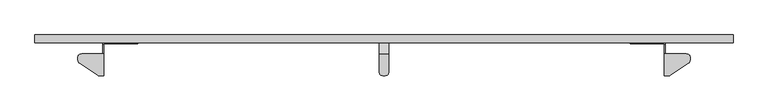
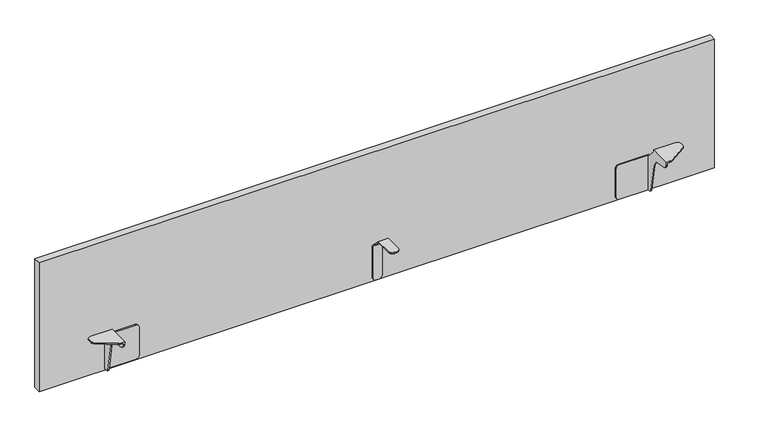
"""IFC4 building model written with IfcOpenShell, lengths in millimetres: furniture geometry."""

from ifc_helpers import new_model, si_unit, frame, origin, place, context, project, spatial, polyline, outline, extrude, faceted_brep, source, transform, mapped, element, save


def furniture_78137ce3(model_context):
    return source(origin(), model_context, "Body", "SolidModel", [
        faceted_brep([(927.8620008, -5.3451252, 707.3392029), (927.8620008, 22.3509401, 681.1507432), (927.8620008, 22.3509401, 593.7250799), (927.8620008, 25.4, 593.7250799), (927.8620008, 25.4, 681.1497404), (927.8620008, -4.2672, 710.3872), (927.8620008, -50.0379103, 710.3872), (927.8620008, -50.0379103, 707.3392029), (902.4620008, -4.2672, 710.3872), (902.4620008, 25.4, 681.1497404), (902.4620008, 25.4, 593.7249895), (902.4620008, 22.3509401, 593.7249895), (902.4620008, 22.3509401, 681.1507432), (902.4620008, -5.3451252, 707.3392029), (902.4620008, -50.0380007, 707.3392029), (902.4620008, -50.0380007, 710.3872), (926.5858917, -54.8005007, 707.3392029), (923.0994766, -58.2868931, 707.3392029), (918.3369766, -59.5630007, 707.3392029), (911.9870008, -59.5630007, 707.3392029), (907.2245008, -58.2868931, 707.3392029), (903.7380857, -54.8005007, 707.3392029), (903.7380857, 22.3509401, 588.9624895), (907.2245008, 22.3509401, 585.4761108), (911.9870008, 22.3509401, 584.1999895), (918.3369766, 22.3509401, 584.1999895), (923.0994766, 22.3509401, 585.4761108), (926.5858917, 22.3509401, 588.9624895), (911.9870008, 25.4, 584.1999895), (918.3369766, 25.4, 584.1999895), (926.5858917, 25.4, 588.9624895), (923.0994766, 25.4, 585.4761108), (907.2245008, 25.4, 585.4761108), (903.7380857, 25.4, 588.9624895), (903.7380857, -54.8005007, 710.3872), (907.2245008, -58.2868931, 710.3872), (911.9870008, -59.5630007, 710.3872), (918.3369766, -59.5630007, 710.3872), (923.0994766, -58.2868931, 710.3872), (926.5858917, -54.8005007, 710.3872)], [[[0, 1, 2, 3, 4, 5, 6, 7]], [[8, 9, 10, 11, 12, 13, 14, 15]], [[13, 0, 7, 16, 17, 18, 19, 20, 21, 14]], [[1, 12, 11, 22, 23, 24, 25, 26, 27, 2]], [[25, 24, 28, 29]], [[9, 4, 3, 30, 31, 29, 28, 32, 33, 10]], [[5, 8, 15, 34, 35, 36, 37, 38, 39, 6]], [[19, 18, 37, 36]], [[21, 34, 15, 14]], [[35, 20, 19, 36]], [[34, 21, 20, 35]], [[17, 38, 37, 18]], [[39, 16, 7, 6]], [[38, 17, 16, 39]], [[23, 32, 28, 24]], [[32, 23, 22, 33]], [[33, 22, 11, 10]], [[27, 30, 3, 2]], [[30, 27, 26, 31]], [[31, 26, 25, 29]], [[5, 4, 9, 8]], [[1, 0, 13, 12]]]),
        faceted_brep([(1630.1211979, 25.4, 585.1652286), (1630.1211979, 17.2652222, 585.1652286), (1627.0732008, 17.2652222, 585.1652286), (1627.0732008, 22.3509401, 585.1652286), (1550.7461919, 22.3509401, 585.1652286), (1550.7461919, 25.4, 585.1652286), (1688.6046921, -4.0711685, 710.3872), (1683.8421921, -2.7950606, 710.3872), (1627.0732008, -2.7950606, 710.3872), (1627.0732008, -59.4370591, 710.3872), (1638.1764839, -59.4370591, 710.3872), (1640.0211387, -59.2567331, 710.3872), (1641.7959395, -58.7225769, 710.3872), (1643.4336848, -57.8548247, 710.3872), (1689.099393, -27.6293554, 710.3872), (1691.3819845, -25.5070035, 710.3872), (1692.8572396, -22.7614203, 710.3872), (1693.3671921, -19.6865943, 710.3872), (1693.3671921, -12.3200609, 710.3872), (1692.09108, -7.5575603, 710.3872), (1692.09108, -7.5575603, 707.3392029), (1688.6046921, -4.0711685, 707.3392029), (1693.3671921, -12.3200609, 707.3392029), (1693.3671921, -19.6865943, 707.3392029), (1692.8572396, -22.7614203, 707.3392029), (1691.3819845, -25.5070035, 707.3392029), (1689.099393, -27.6293554, 707.3392029), (1643.4336848, -57.8548247, 707.3392029), (1641.7959395, -58.7225769, 707.3392029), (1640.0211387, -59.2567331, 707.3392029), (1638.1764839, -59.4370591, 707.3392029), (1627.0732008, -59.4370591, 702.7557617), (1630.1211979, -59.4370591, 702.7557617), (1630.1211979, -59.4370591, 707.3392029), (1627.0732008, 14.4153473, 585.8406597), (1627.0732008, 12.1717399, 587.7232847), (1627.0732008, 11.0116931, 590.4125464), (1627.0732008, -2.1447647, 665.026524), (1627.0732008, -5.9374915, 674.5733977), (1627.0732008, -13.2013536, 681.8372711), (1627.0732008, -22.7482171, 685.6299902), (1627.0732008, -48.9423917, 690.248749), (1627.0732008, -54.3209742, 692.5688109), (1627.0732008, -58.0861968, 697.056037), (1627.0732008, -2.7950606, 705.3072048), (1627.0732008, 20.3189398, 680.4151922), (1627.0732008, 22.3509401, 680.4151922), (1550.7461919, 22.3509401, 680.4151922), (1545.9836919, 22.3509401, 679.1391073), (1542.497295, 22.3509401, 675.6526922), (1541.2211919, 22.3509401, 670.8901922), (1541.2211919, 22.3509401, 594.6902286), (1542.497295, 22.3509401, 589.9277286), (1545.9836919, 22.3509401, 586.4413498), (1541.2211919, 25.4, 670.8901922), (1541.2211919, 25.4, 594.6902286), (1545.9836919, 25.4, 586.4413498), (1542.497295, 25.4, 589.9277286), (1542.497295, 25.4, 675.6526922), (1545.9836919, 25.4, 679.1391073), (1550.7461919, 25.4, 680.4151922), (1630.1211979, 25.4, 680.4151922), (1630.1211979, -58.0861968, 697.056037), (1630.1211979, -54.3209742, 692.5688109), (1630.1211979, -48.9423917, 690.248749), (1630.1211979, -22.7482171, 685.6299902), (1630.1211979, -13.2013536, 681.8372711), (1630.1211979, -5.9374915, 674.5733977), (1630.1211979, -2.1447647, 665.026524), (1630.1211979, 11.0116931, 590.4125464), (1630.1211979, 12.1717399, 587.7232847), (1630.1211979, 14.4153473, 585.8406597), (1630.1211979, 20.3189398, 680.4151922), (1630.1211979, -2.7950606, 705.3072048), (1630.1211979, -2.7950606, 707.3392029), (1683.8421921, -2.7950606, 707.3392029)], [[[0, 1, 2, 3, 4, 5]], [[6, 7, 8, 9, 10, 11, 12, 13, 14, 15, 16, 17, 18, 19]], [[19, 20, 21, 6]], [[18, 22, 20, 19]], [[17, 23, 22, 18]], [[16, 24, 23, 17]], [[15, 25, 24, 16]], [[14, 26, 25, 15]], [[13, 27, 26, 14]], [[12, 28, 27, 13]], [[11, 29, 28, 12]], [[10, 30, 29, 11]], [[9, 31, 32, 33, 30, 10]], [[3, 2, 34, 35, 36, 37, 38, 39, 40, 41, 42, 43, 31, 9, 8, 44, 45, 46]], [[3, 46, 47, 48, 49, 50, 51, 52, 53, 4]], [[50, 54, 55, 51]], [[5, 56, 57, 55, 54, 58, 59, 60, 61, 0]], [[33, 32, 62, 63, 64, 65, 66, 67, 68, 69, 70, 71, 1, 0, 61, 72, 73, 74]], [[8, 7, 75, 74, 73, 44]], [[6, 21, 75, 7]], [[74, 75, 21, 20, 22, 23, 24, 25, 26, 27, 28, 29, 30, 33]], [[47, 46, 45, 72, 61, 60]], [[60, 59, 48, 47]], [[59, 58, 49, 48]], [[58, 54, 50, 49]], [[56, 5, 4, 53]], [[52, 51, 55, 57]], [[53, 52, 57, 56]], [[34, 2, 1, 71]], [[71, 70, 35, 34]], [[70, 69, 36, 35]], [[69, 68, 37, 36]], [[68, 67, 38, 37]], [[67, 66, 39, 38]], [[66, 65, 40, 39]], [[65, 64, 41, 40]], [[64, 63, 42, 41]], [[63, 62, 43, 42]], [[62, 32, 31, 43]], [[45, 44, 73, 72]]]),
        faceted_brep([(200.2028038, 25.4, 585.1652286), (279.5778098, 25.4, 585.1652286), (279.5778098, 22.3509401, 585.1652286), (203.2508008, 22.3509401, 585.1652286), (203.2508008, 17.2652222, 585.1652286), (200.2028038, 17.2652222, 585.1652286), (141.7193096, -4.0711685, 710.3872), (138.2329217, -7.5575603, 710.3872), (136.9568096, -12.3200609, 710.3872), (136.9568096, -19.6865943, 710.3872), (137.4667621, -22.7614203, 710.3872), (138.9420172, -25.5070035, 710.3872), (141.2246087, -27.6293554, 710.3872), (186.8903169, -57.8548247, 710.3872), (188.5280622, -58.7225769, 710.3872), (190.302863, -59.2567331, 710.3872), (192.1475178, -59.4370591, 710.3872), (203.2508008, -59.4370591, 710.3872), (203.2508008, -2.7950606, 710.3872), (146.4818096, -2.7950606, 710.3872), (141.7193096, -4.0711685, 707.3392029), (138.2329217, -7.5575603, 707.3392029), (136.9568096, -12.3200609, 707.3392029), (136.9568096, -19.6865943, 707.3392029), (137.4667621, -22.7614203, 707.3392029), (138.9420172, -25.5070035, 707.3392029), (141.2246087, -27.6293554, 707.3392029), (186.8903169, -57.8548247, 707.3392029), (188.5280622, -58.7225769, 707.3392029), (190.302863, -59.2567331, 707.3392029), (192.1475178, -59.4370591, 707.3392029), (200.2028038, -59.4370591, 707.3392029), (200.2028038, -59.4370591, 702.7557617), (203.2508008, -59.4370591, 702.7557617), (203.2508008, 22.3509401, 680.4151922), (203.2508008, 20.3189398, 680.4151922), (203.2508008, -2.7950606, 705.3072048), (203.2508008, -58.0861968, 697.056037), (203.2508008, -54.3209742, 692.5688109), (203.2508008, -48.9423917, 690.248749), (203.2508008, -22.7482171, 685.6299902), (203.2508008, -13.2013536, 681.8372711), (203.2508008, -5.9374915, 674.5733977), (203.2508008, -2.1447647, 665.026524), (203.2508008, 11.0116931, 590.4125464), (203.2508008, 12.1717399, 587.7232847), (203.2508008, 14.4153473, 585.8406597), (284.3403098, 22.3509401, 586.4413498), (287.8267067, 22.3509401, 589.9277286), (289.1028098, 22.3509401, 594.6902286), (289.1028098, 22.3509401, 670.8901922), (287.8267067, 22.3509401, 675.6526922), (284.3403098, 22.3509401, 679.1391073), (279.5778098, 22.3509401, 680.4151922), (289.1028098, 25.4, 594.6902286), (289.1028098, 25.4, 670.8901922), (200.2028038, 25.4, 680.4151922), (279.5778098, 25.4, 680.4151922), (284.3403098, 25.4, 679.1391073), (287.8267067, 25.4, 675.6526922), (287.8267067, 25.4, 589.9277286), (284.3403098, 25.4, 586.4413498), (200.2028038, -2.7950606, 707.3392029), (200.2028038, -2.7950606, 705.3072048), (200.2028038, 20.3189398, 680.4151922), (200.2028038, 14.4153473, 585.8406597), (200.2028038, 12.1717399, 587.7232847), (200.2028038, 11.0116931, 590.4125464), (200.2028038, -2.1447647, 665.026524), (200.2028038, -5.9374915, 674.5733977), (200.2028038, -13.2013536, 681.8372711), (200.2028038, -22.7482171, 685.6299902), (200.2028038, -48.9423917, 690.248749), (200.2028038, -54.3209742, 692.5688109), (200.2028038, -58.0861968, 697.056037), (146.4818096, -2.7950606, 707.3392029)], [[[0, 1, 2, 3, 4, 5]], [[6, 7, 8, 9, 10, 11, 12, 13, 14, 15, 16, 17, 18, 19]], [[7, 6, 20, 21]], [[8, 7, 21, 22]], [[9, 8, 22, 23]], [[10, 9, 23, 24]], [[11, 10, 24, 25]], [[12, 11, 25, 26]], [[13, 12, 26, 27]], [[14, 13, 27, 28]], [[15, 14, 28, 29]], [[16, 15, 29, 30]], [[17, 16, 30, 31, 32, 33]], [[3, 34, 35, 36, 18, 17, 33, 37, 38, 39, 40, 41, 42, 43, 44, 45, 46, 4]], [[3, 2, 47, 48, 49, 50, 51, 52, 53, 34]], [[50, 49, 54, 55]], [[1, 0, 56, 57, 58, 59, 55, 54, 60, 61]], [[31, 62, 63, 64, 56, 0, 5, 65, 66, 67, 68, 69, 70, 71, 72, 73, 74, 32]], [[18, 36, 63, 62, 75, 19]], [[6, 19, 75, 20]], [[62, 31, 30, 29, 28, 27, 26, 25, 24, 23, 22, 21, 20, 75]], [[53, 57, 56, 64, 35, 34]], [[57, 53, 52, 58]], [[58, 52, 51, 59]], [[59, 51, 50, 55]], [[61, 47, 2, 1]], [[48, 60, 54, 49]], [[47, 61, 60, 48]], [[46, 65, 5, 4]], [[65, 46, 45, 66]], [[66, 45, 44, 67]], [[67, 44, 43, 68]], [[68, 43, 42, 69]], [[69, 42, 41, 70]], [[70, 41, 40, 71]], [[71, 40, 39, 72]], [[72, 39, 38, 73]], [[73, 38, 37, 74]], [[74, 37, 33, 32]], [[35, 64, 63, 36]]]),
        extrude(outline(polyline([(1802.6380008, 25.4), (27.6860008, 25.4), (27.6860008, 44.704), (1802.6380008, 44.704), (1802.6380008, 25.4)])), frame((0.0, 0.0, 581.9902), z_axis=(0.0, 0.0, 1.0), x_axis=(1.0, 0.0, 0.0)), (0.0, 0.0, 1.0), 357.8098),
    ])


if __name__ == "__main__":
    model = new_model("IFC4")
    model_context = context("Model", 3, world=origin())
    ifc_project = project(units=[si_unit("LENGTHUNIT", "METRE", prefix="MILLI")], contexts=[model_context])
    site = spatial("IfcSite", under=ifc_project)
    building = spatial("IfcBuilding", under=site)
    placement = place(None, origin())
    furniture_shape = furniture_78137ce3(model_context)
    element("IfcFurniture", 1, at=placement, inside=building, context=model_context, shape_type="MappedRepresentation", body=[
        mapped(furniture_shape, transform((0.0, 0.0, 0.0), x_axis=(1.0, 0.0, 0.0), y_axis=(0.0, 1.0, 0.0), z_axis=(0.0, 0.0, 1.0))),
    ])
    save(model, "model.ifc")
